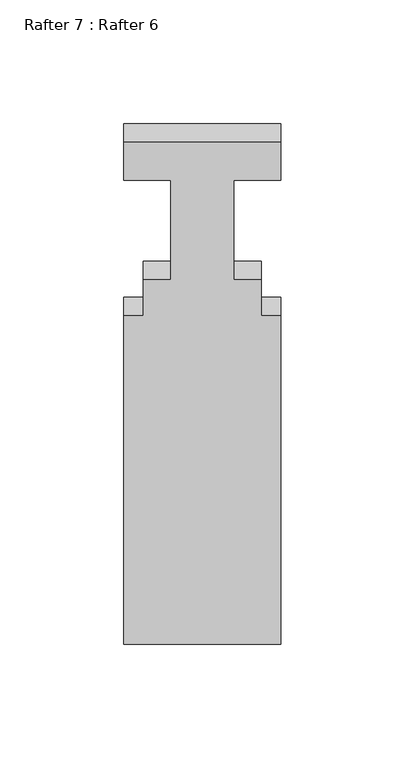
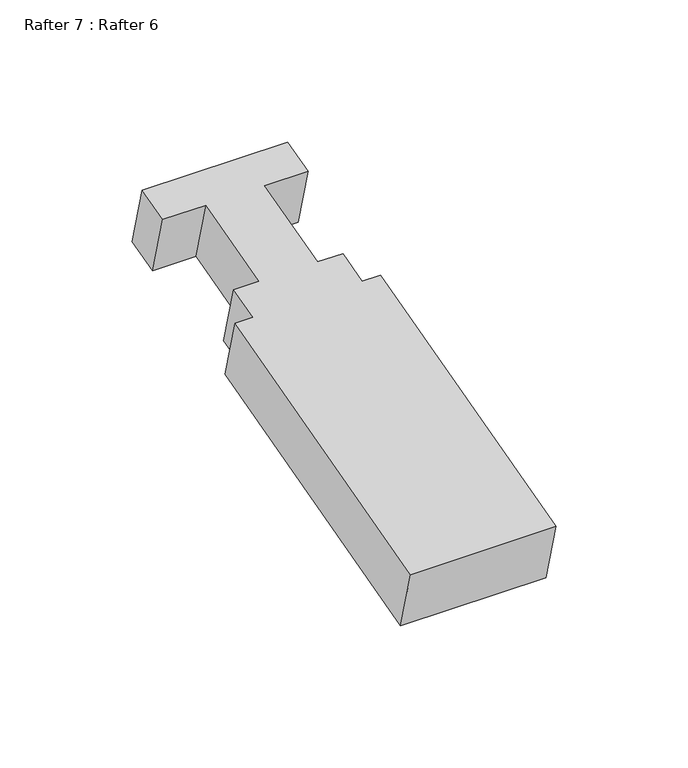
"""IFC4 building model written with IfcOpenShell, lengths in millimetres: proxy geometry, Rafter 7 : Rafter 6."""

from ifc_helpers import new_model, si_unit, frame, origin, place, context, project, spatial, polyline, outline, extrude, source, transform, mapped, element, save


def rafter_7_rafter_6_d0d49b09(model_context):
    return source(origin(), model_context, "Body", "SweptSolid", [
        extrude(outline(polyline([(0.0, 0.0), (15.875, 0.0), (15.875, -19.05), (57.531, -19.05), (57.531, -7.9248), (72.5932, -7.9248), (72.5932, 0.0), (209.931, 0.0), (209.931, -63.5), (72.5932, -63.5), (72.5932, -55.5752), (57.531, -55.5752), (57.531, -44.45), (15.875, -44.45), (15.875, -63.5), (0.0, -63.5), (0.0, 0.0)])), frame((-3114.0241439, 6090.4303257, 927.2215027), z_axis=(0.0, -0.2588190451025275, 0.9659258262890665), x_axis=(0.0, -0.9659258262890665, -0.2588190451025275)), (0.0, 0.0, 1.0), 29.1531507),
    ])


if __name__ == "__main__":
    model = new_model("IFC4")
    model_context = context("Model", 3, world=origin())
    ifc_project = project(units=[si_unit("LENGTHUNIT", "METRE", prefix="MILLI")], contexts=[model_context])
    site = spatial("IfcSite", under=ifc_project)
    building = spatial("IfcBuilding", under=site)
    placement = place(None, origin())
    rafter_7_rafter_6_shape = rafter_7_rafter_6_d0d49b09(model_context)
    element("IfcBuildingElementProxy", 1, Name="Rafter 7 : Rafter 6", ObjectType="Rafter 7 : Rafter 6", at=placement, inside=building, context=model_context, shape_type="MappedRepresentation", body=[
        mapped(rafter_7_rafter_6_shape, transform((0.0, 0.0, 0.0), x_axis=(1.0, 0.0, 0.0), y_axis=(0.0, 1.0, 0.0), z_axis=(0.0, 0.0, 1.0))),
    ])
    save(model, "model.ifc")
